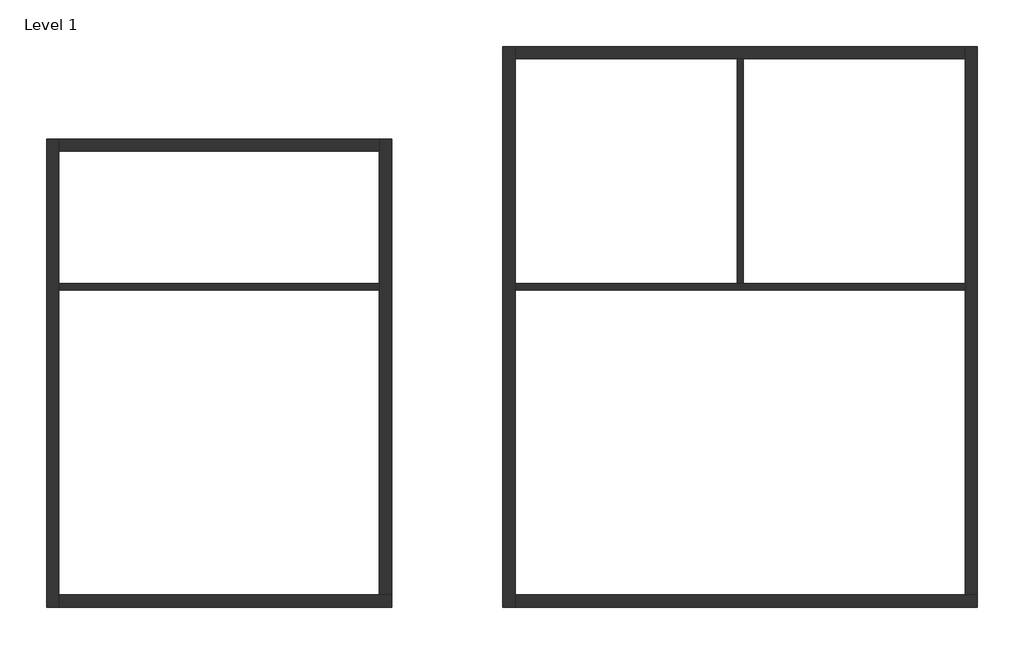
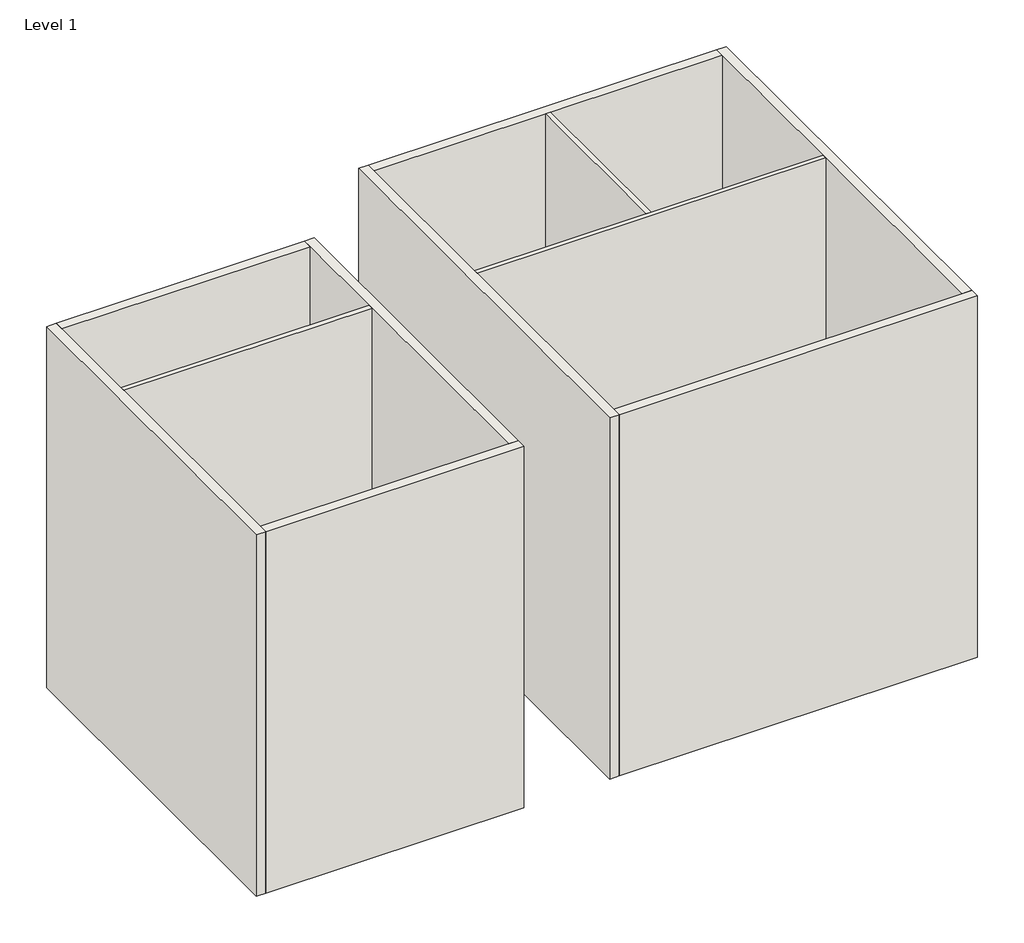
# One storey: 11 walls.
"""IFC4 building model written with IfcOpenShell, lengths in millimetres."""

from ifc_helpers import new_model, si_unit, origin, origin_with_axes, place, context, project, spatial, polyline, outline, extrude, faceted_brep, element, save

model = new_model("IFC4")

# Units and contexts
model_context = context("Model", 3, world=origin())
ifc_project = project(units=[si_unit("LENGTHUNIT", "METRE", prefix="MILLI")], contexts=[model_context])

# Site, building, storey
site = spatial("IfcSite", under=ifc_project)
building = spatial("IfcBuilding", under=site)
storey = spatial("IfcBuildingStorey", under=building, Name="Level 1", Elevation=0.0)

# Walls
placement = place(None, origin())
element("IfcWall", 1, ObjectType="Generic - 100mm", at=placement, inside=storey, context=model_context, shape_type="SweptSolid", body=[
    extrude(outline(polyline([(-16985.094918, 5693.2733372), (-11785.094918, 5693.2733372), (-11785.094918, 5593.2733372), (-16985.094918, 5593.2733372), (-16985.094918, 5693.2733372)])), origin_with_axes(), (0.0, 0.0, 1.0), 8000.0),
])
element("IfcWall", 2, ObjectType="Generic - 100mm", at=placement, inside=storey, context=model_context, shape_type="Brep", body=[
    faceted_brep([(-2285.094918, 5693.2733372, 0.0), (-5885.094918, 5693.2733372, 0.0), (-5985.094918, 5693.2733372, 0.0), (-9585.094918, 5693.2733372, 0.0), (-9585.094918, 5693.2733372, 8000.0), (-5985.094918, 5693.2733372, 8000.0), (-5885.094918, 5693.2733372, 8000.0), (-2285.094918, 5693.2733372, 8000.0), (-2285.094918, 5593.2733372, 0.0), (-2285.094918, 5593.2733372, 8000.0), (-9585.094918, 5593.2733372, 8000.0), (-9585.094918, 5593.2733372, 0.0)], [[[0, 1, 2, 3, 4, 5, 6, 7]], [[8, 9, 10, 11]], [[3, 2, 1, 0, 8, 11]], [[7, 6, 5, 4, 10, 9]], [[4, 3, 11, 10]], [[0, 7, 9, 8]]]),
])
element("IfcWall", 3, ObjectType="Generic - 100mm", at=placement, inside=storey, context=model_context, shape_type="SweptSolid", body=[
    extrude(outline(polyline([(-5985.094918, 5693.2733372), (-5985.094918, 9343.2733372), (-5885.094918, 9343.2733372), (-5885.094918, 5693.2733372), (-5985.094918, 5693.2733372)])), origin_with_axes(), (0.0, 0.0, 1.0), 8000.0),
])
element("IfcWall", 4, ObjectType="Generic - 200mm", at=placement, inside=storey, context=model_context, shape_type="Brep", body=[
    faceted_brep([(-17185.094918, 8043.2733372, 0.0), (-17185.094918, 443.2733372, 0.0), (-17185.094918, 443.2733372, 8000.0), (-17185.094918, 8043.2733372, 8000.0), (-16985.094918, 8043.2733372, 0.0), (-16985.094918, 8043.2733372, 8000.0), (-16985.094918, 7843.2733372, 8000.0), (-16985.094918, 5693.2733372, 8000.0), (-16985.094918, 5593.2733372, 8000.0), (-16985.094918, 643.2733372, 8000.0), (-16985.094918, 443.2733372, 8000.0), (-16985.094918, 443.2733372, 0.0), (-16985.094918, 643.2733372, 0.0), (-16985.094918, 5593.2733372, 0.0), (-16985.094918, 5693.2733372, 0.0), (-16985.094918, 7843.2733372, 0.0)], [[[0, 1, 2, 3]], [[4, 5, 6, 7, 8, 9, 10, 11, 12, 13, 14, 15]], [[1, 0, 4, 15, 14, 13, 12, 11]], [[3, 2, 10, 9, 8, 7, 6, 5]], [[2, 1, 11, 10]], [[0, 3, 5, 4]]]),
])
element("IfcWall", 5, ObjectType="Generic - 200mm", at=placement, inside=storey, context=model_context, shape_type="Brep", body=[
    faceted_brep([(-16985.094918, 443.2733372, 0.0), (-11585.094918, 443.2733372, 0.0), (-11585.094918, 443.2733372, 8000.0), (-16985.094918, 443.2733372, 8000.0), (-16985.094918, 643.2733372, 0.0), (-16985.094918, 643.2733372, 8000.0), (-11785.094918, 643.2733372, 8000.0), (-11585.094918, 643.2733372, 8000.0), (-11585.094918, 643.2733372, 0.0), (-11785.094918, 643.2733372, 0.0)], [[[0, 1, 2, 3]], [[4, 5, 6, 7, 8, 9]], [[1, 0, 4, 9, 8]], [[3, 2, 7, 6, 5]], [[0, 3, 5, 4]], [[2, 1, 8, 7]]]),
])
element("IfcWall", 6, ObjectType="Generic - 200mm", at=placement, inside=storey, context=model_context, shape_type="Brep", body=[
    faceted_brep([(-11585.094918, 643.2733372, 0.0), (-11585.094918, 8043.2733372, 0.0), (-11585.094918, 8043.2733372, 8000.0), (-11585.094918, 643.2733372, 8000.0), (-11785.094918, 643.2733372, 0.0), (-11785.094918, 643.2733372, 8000.0), (-11785.094918, 5593.2733372, 8000.0), (-11785.094918, 5693.2733372, 8000.0), (-11785.094918, 7843.2733372, 8000.0), (-11785.094918, 8043.2733372, 8000.0), (-11785.094918, 8043.2733372, 0.0), (-11785.094918, 7843.2733372, 0.0), (-11785.094918, 5693.2733372, 0.0), (-11785.094918, 5593.2733372, 0.0)], [[[0, 1, 2, 3]], [[4, 5, 6, 7, 8, 9, 10, 11, 12, 13]], [[1, 0, 4, 13, 12, 11, 10]], [[3, 2, 9, 8, 7, 6, 5]], [[2, 1, 10, 9]], [[0, 3, 5, 4]]]),
])
element("IfcWall", 7, ObjectType="Generic - 200mm", at=placement, inside=storey, context=model_context, shape_type="SweptSolid", body=[
    extrude(outline(polyline([(-16985.094918, 8043.2733372), (-11785.094918, 8043.2733372), (-11785.094918, 7843.2733372), (-16985.094918, 7843.2733372), (-16985.094918, 8043.2733372)])), origin_with_axes(), (0.0, 0.0, 1.0), 8000.0),
])
element("IfcWall", 8, ObjectType="Generic - 200mm", at=placement, inside=storey, context=model_context, shape_type="Brep", body=[
    faceted_brep([(-9785.094918, 9543.2733372, 0.0), (-9785.094918, 443.2733372, 0.0), (-9785.094918, 443.2733372, 8000.0), (-9785.094918, 9543.2733372, 8000.0), (-9585.094918, 9543.2733372, 0.0), (-9585.094918, 9543.2733372, 8000.0), (-9585.094918, 9343.2733372, 8000.0), (-9585.094918, 5693.2733372, 8000.0), (-9585.094918, 5593.2733372, 8000.0), (-9585.094918, 643.2733372, 8000.0), (-9585.094918, 443.2733372, 8000.0), (-9585.094918, 443.2733372, 0.0), (-9585.094918, 643.2733372, 0.0), (-9585.094918, 5593.2733372, 0.0), (-9585.094918, 5693.2733372, 0.0), (-9585.094918, 9343.2733372, 0.0)], [[[0, 1, 2, 3]], [[4, 5, 6, 7, 8, 9, 10, 11, 12, 13, 14, 15]], [[1, 0, 4, 15, 14, 13, 12, 11]], [[3, 2, 10, 9, 8, 7, 6, 5]], [[2, 1, 11, 10]], [[0, 3, 5, 4]]]),
])
element("IfcWall", 9, ObjectType="Generic - 200mm", at=placement, inside=storey, context=model_context, shape_type="Brep", body=[
    faceted_brep([(-9585.094918, 443.2733372, 0.0), (-2085.094918, 443.2733372, 0.0), (-2085.094918, 443.2733372, 8000.0), (-9585.094918, 443.2733372, 8000.0), (-9585.094918, 643.2733372, 0.0), (-9585.094918, 643.2733372, 8000.0), (-2285.094918, 643.2733372, 8000.0), (-2085.094918, 643.2733372, 8000.0), (-2085.094918, 643.2733372, 0.0), (-2285.094918, 643.2733372, 0.0)], [[[0, 1, 2, 3]], [[4, 5, 6, 7, 8, 9]], [[1, 0, 4, 9, 8]], [[3, 2, 7, 6, 5]], [[0, 3, 5, 4]], [[2, 1, 8, 7]]]),
])
element("IfcWall", 10, ObjectType="Generic - 200mm", at=placement, inside=storey, context=model_context, shape_type="Brep", body=[
    faceted_brep([(-2085.094918, 643.2733372, 0.0), (-2085.094918, 9543.2733372, 0.0), (-2085.094918, 9543.2733372, 8000.0), (-2085.094918, 643.2733372, 8000.0), (-2285.094918, 643.2733372, 0.0), (-2285.094918, 643.2733372, 8000.0), (-2285.094918, 5593.2733372, 8000.0), (-2285.094918, 5693.2733372, 8000.0), (-2285.094918, 9343.2733372, 8000.0), (-2285.094918, 9543.2733372, 8000.0), (-2285.094918, 9543.2733372, 0.0), (-2285.094918, 9343.2733372, 0.0), (-2285.094918, 5693.2733372, 0.0), (-2285.094918, 5593.2733372, 0.0)], [[[0, 1, 2, 3]], [[4, 5, 6, 7, 8, 9, 10, 11, 12, 13]], [[1, 0, 4, 13, 12, 11, 10]], [[3, 2, 9, 8, 7, 6, 5]], [[2, 1, 10, 9]], [[0, 3, 5, 4]]]),
])
element("IfcWall", 11, ObjectType="Generic - 200mm", at=placement, inside=storey, context=model_context, shape_type="Brep", body=[
    faceted_brep([(-2285.094918, 9543.2733372, 0.0), (-9585.094918, 9543.2733372, 0.0), (-9585.094918, 9543.2733372, 8000.0), (-2285.094918, 9543.2733372, 8000.0), (-2285.094918, 9343.2733372, 0.0), (-2285.094918, 9343.2733372, 8000.0), (-5885.094918, 9343.2733372, 8000.0), (-5985.094918, 9343.2733372, 8000.0), (-9585.094918, 9343.2733372, 8000.0), (-9585.094918, 9343.2733372, 0.0), (-5985.094918, 9343.2733372, 0.0), (-5885.094918, 9343.2733372, 0.0)], [[[0, 1, 2, 3]], [[4, 5, 6, 7, 8, 9, 10, 11]], [[1, 0, 4, 11, 10, 9]], [[3, 2, 8, 7, 6, 5]], [[2, 1, 9, 8]], [[0, 3, 5, 4]]]),
])

save(model, "model.ifc")
